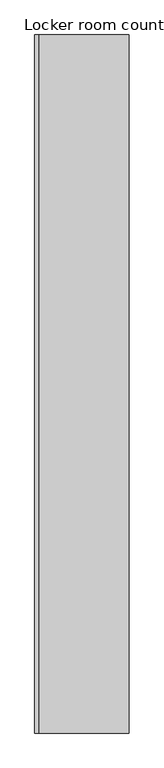
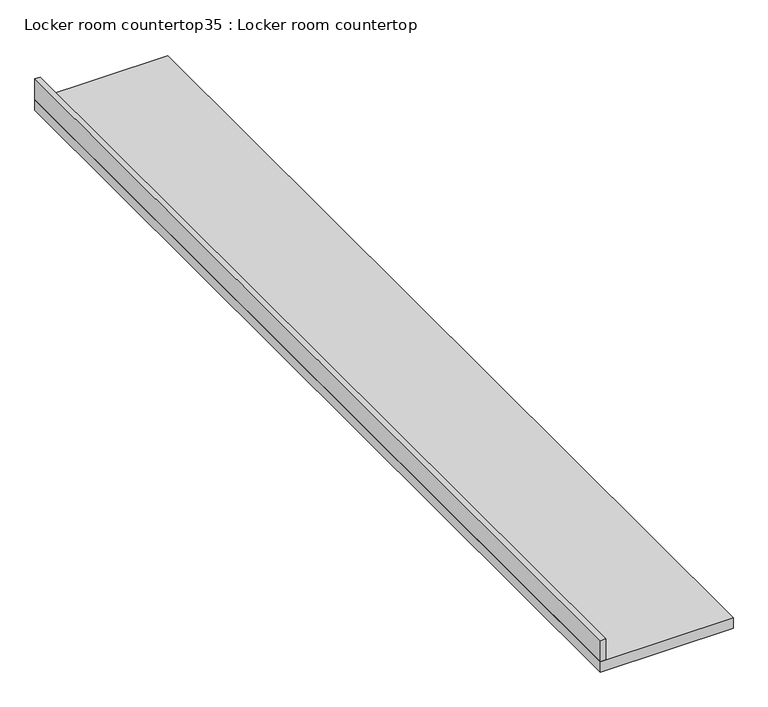
"""IFC4 building model written with IfcOpenShell, lengths in millimetres: furniture geometry, Locker room countertop35 : Locker room countertop."""

from ifc_helpers import new_model, si_unit, frame, origin, place, context, project, spatial, polyline, outline, extrude, source, transform, mapped, element, save


def locker_room_countertop35_locker_room_countertop_d1cee57b(model_context):
    return source(origin(), model_context, "Body", "SweptSolid", [
        extrude(outline(polyline([(253506.0754676, -258314.0455223), (253480.6754676, -258314.0455223), (253480.6754676, -253811.8955223), (253506.0754676, -253811.8955223), (253506.0754676, -258314.0455223)])), frame((0.0, 0.0, 914.4), z_axis=(0.0, 0.0, 1.0), x_axis=(1.0, 0.0, 0.0)), (0.0, 0.0, 1.0), 101.6),
        extrude(outline(polyline([(254090.2754676, -258314.0455223), (253480.6754676, -258314.0455223), (253480.6754676, -253811.8955223), (254090.2754676, -253811.8955223), (254090.2754676, -258314.0455223)])), frame((0.0, 0.0, 863.6), z_axis=(0.0, 0.0, 1.0), x_axis=(1.0, 0.0, 0.0)), (0.0, 0.0, 1.0), 50.8),
    ])


if __name__ == "__main__":
    model = new_model("IFC4")
    model_context = context("Model", 3, world=origin())
    ifc_project = project(units=[si_unit("LENGTHUNIT", "METRE", prefix="MILLI")], contexts=[model_context])
    site = spatial("IfcSite", under=ifc_project)
    building = spatial("IfcBuilding", under=site)
    placement = place(None, origin())
    locker_room_countertop35_locker_room_countertop_shape = locker_room_countertop35_locker_room_countertop_d1cee57b(model_context)
    element("IfcFurniture", 1, ObjectType="Locker room countertop35 : Locker room countertop", at=placement, inside=building, context=model_context, shape_type="MappedRepresentation", body=[
        mapped(locker_room_countertop35_locker_room_countertop_shape, transform((0.0, 0.0, 0.0), x_axis=(1.0, 0.0, 0.0), y_axis=(0.0, 1.0, 0.0), z_axis=(0.0, 0.0, 1.0))),
    ])
    save(model, "model.ifc")
